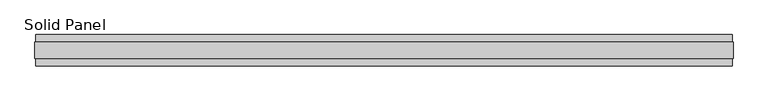
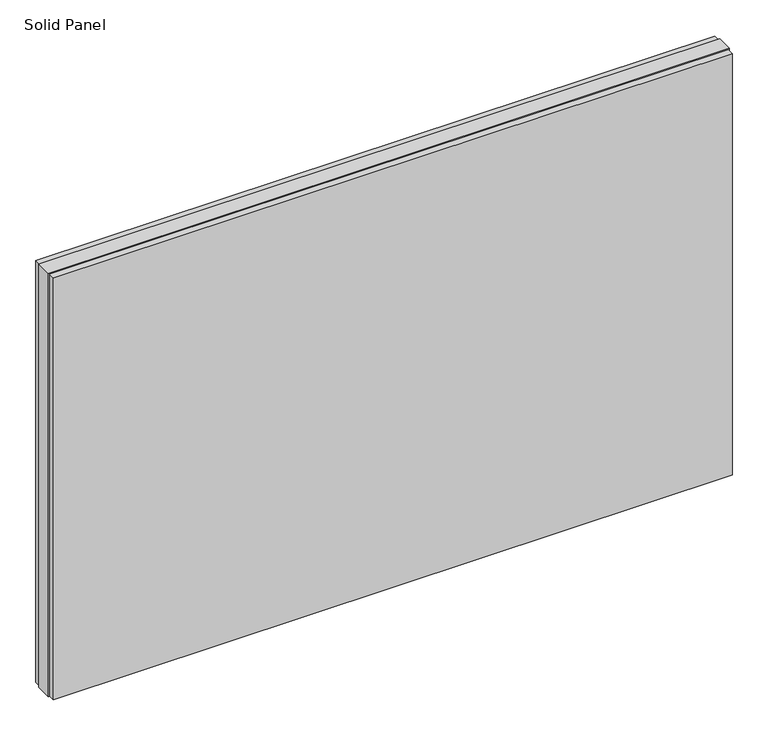
"""IFC4 building model written with IfcOpenShell, lengths in millimetres: plate geometry, Solid Panel."""

from ifc_helpers import new_model, si_unit, frame, origin, origin_with_axes, place, context, project, spatial, polyline, outline, extrude, source, transform, mapped, element, save


def solid_panel_3e17c3da(model_context):
    return source(origin(), model_context, "Body", "SweptSolid", [
        extrude(outline(polyline([(1077.6616178, -48.4531867), (-1077.6616178, -48.4531867), (-1077.6616178, -25.9961), (1077.6616178, -25.9961), (1077.6616178, -48.4531867)])), frame((0.0, 0.0, 3.0099), z_axis=(0.0, 0.0, 1.0), x_axis=(1.0, 0.0, 0.0)), (0.0, 0.0, 1.0), 1416.3802),
        extrude(outline(polyline([(1077.6616178, 25.9977), (-1077.6616178, 25.9977), (-1077.6616178, 48.4547867), (1077.6616178, 48.4547867), (1077.6616178, 25.9977)])), frame((0.0, 0.0, 3.0099), z_axis=(0.0, 0.0, 1.0), x_axis=(1.0, 0.0, 0.0)), (0.0, 0.0, 1.0), 1416.3802),
        extrude(outline(polyline([(1080.6588178, -25.9961), (-1080.6588178, -25.9961), (-1080.6588178, 25.9977), (1080.6588178, 25.9977), (1080.6588178, -25.9961)])), origin_with_axes(), (0.0, 0.0, 1.0), 1422.4),
    ])


if __name__ == "__main__":
    model = new_model("IFC4")
    model_context = context("Model", 3, world=origin())
    ifc_project = project(units=[si_unit("LENGTHUNIT", "METRE", prefix="MILLI")], contexts=[model_context])
    site = spatial("IfcSite", under=ifc_project)
    building = spatial("IfcBuilding", under=site)
    placement = place(None, origin())
    solid_panel_shape = solid_panel_3e17c3da(model_context)
    element("IfcPlate", 1, ObjectType="Solid Panel", at=placement, inside=building, context=model_context, shape_type="MappedRepresentation", body=[
        mapped(solid_panel_shape, transform((0.0, 0.0, 0.0), x_axis=(1.0, 0.0, 0.0), y_axis=(0.0, 1.0, 0.0), z_axis=(0.0, 0.0, 1.0))),
    ])
    save(model, "model.ifc")
